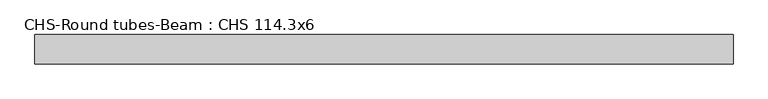
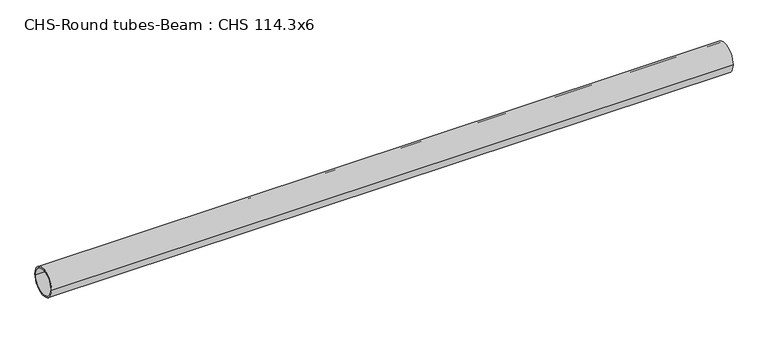
"""IFC4 building model written with IfcOpenShell, lengths in millimetres: beam geometry, CHS-Round tubes-Beam : CHS 114.3x6."""

from ifc_helpers import new_model, si_unit, point, frame, origin, origin_2d, place, context, project, spatial, circle_curve, trimmed, segment, composite_curve, outline, extrude, source, transform, mapped, element, save


def chs_round_tubes_beam_chs_114_3x6_9c0ad7c6(model_context):
    return source(origin(), model_context, "Body", "SweptSolid", [
        extrude(outline(composite_curve([segment(trimmed(circle_curve(origin_2d(), 57.15), [point((57.15, 0.0))], [point((-57.15, 0.0))], False, "CARTESIAN"), True, "CONTINUOUS"), segment(trimmed(circle_curve(origin_2d(), 57.15), [point((-57.15, 0.0))], [point((57.15, 0.0))], False, "CARTESIAN"), True, "CONTINUOUS")], self_intersect=False), holes=[composite_curve([segment(trimmed(circle_curve(origin_2d(), 51.15), [point((51.15, 0.0))], [point((-51.15, 0.0))], True, "CARTESIAN"), True, "CONTINUOUS"), segment(trimmed(circle_curve(origin_2d(), 51.15), [point((-51.15, 0.0))], [point((51.15, 0.0))], True, "CARTESIAN"), True, "CONTINUOUS")], self_intersect=False)]), frame((-1312.7593261, 0.0, 0.0), z_axis=(1.0, 0.0, 0.0), x_axis=(0.0, 1.0, 0.0)), (0.0, 0.0, 1.0), 2718.4420801),
    ])


if __name__ == "__main__":
    model = new_model("IFC4")
    model_context = context("Model", 3, world=origin())
    ifc_project = project(units=[si_unit("LENGTHUNIT", "METRE", prefix="MILLI")], contexts=[model_context])
    site = spatial("IfcSite", under=ifc_project)
    building = spatial("IfcBuilding", under=site)
    placement = place(None, origin())
    chs_round_tubes_beam_chs_114_3x6_shape = chs_round_tubes_beam_chs_114_3x6_9c0ad7c6(model_context)
    element("IfcBeam", 1, ObjectType="CHS-Round tubes-Beam : CHS 114.3x6", at=placement, inside=building, context=model_context, shape_type="MappedRepresentation", body=[
        mapped(chs_round_tubes_beam_chs_114_3x6_shape, transform((0.0, 0.0, 0.0), x_axis=(1.0, 0.0, 0.0), y_axis=(0.0, 1.0, 0.0), z_axis=(0.0, 0.0, 1.0))),
    ])
    save(model, "model.ifc")
